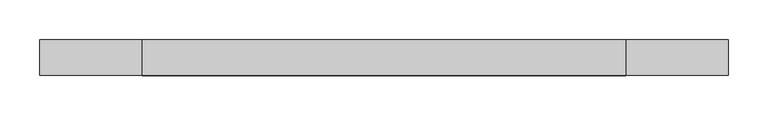
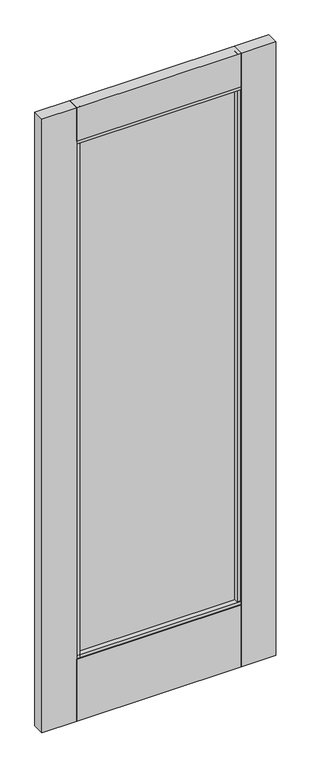
"""IFC4 building model written with IfcOpenShell, lengths in millimetres: plate geometry."""

from ifc_helpers import new_model, si_unit, frame, origin, place, context, project, spatial, polyline, outline, extrude, source, transform, mapped, element, save


def plate_817a3457(model_context):
    return source(origin(), model_context, "Body", "SweptSolid", [
        extrude(outline(polyline([(-31.75, 2405.0625), (12.7, 2405.0625), (12.7, 2274.90528), (11.1401195, 2274.90528), (11.1401195, 2262.202486), (-2.5250805, 2262.202486), (-2.5250805, 2274.108736), (-16.2152584, 2274.108736), (-16.2152584, 2262.202486), (-29.8804584, 2262.202486), (-29.8804584, 2274.90528), (-31.75, 2274.90528), (-31.75, 2405.0625)]), holes=[polyline([(10.31875, 2277.28653), (10.31875, 2402.68125), (-29.36875, 2402.68125), (-29.36875, 2277.28653), (-27.4992084, 2277.28653), (-27.4992084, 2264.583736), (-18.5965084, 2264.583736), (-18.5965084, 2276.489986), (-0.1438305, 2276.489986), (-0.1438305, 2264.583736), (8.7588695, 2264.583736), (8.7588695, 2277.28653), (10.31875, 2277.28653)])]), frame((-302.6590212, 0.0, 0.0), z_axis=(1.0, 0.0, 0.0), x_axis=(0.0, 1.0, 0.0)), (0.0, 0.0, 1.0), 605.3281581),
        extrude(outline(polyline([(-430.4660618, 12.7), (-302.6590212, 12.7), (-302.6590212, 11.1401195), (-289.9590212, 11.1401195), (-289.9590212, -29.8804584), (-302.6590212, -29.8804584), (-302.6590212, -31.75), (-430.4660618, -31.75), (-430.4660618, 12.7)])), frame((0.0, 0.0, 17.4625), z_axis=(0.0, 0.0, 1.0), x_axis=(1.0, 0.0, 0.0)), (0.0, 0.0, 1.0), 2387.6),
        extrude(outline(polyline([(-298.3505575, -12.4866855), (-298.3505575, -6.1366855), (294.7501793, -6.1366855), (294.7501793, -12.4866855), (-298.3505575, -12.4866855)])), frame((0.0, 0.0, 263.906), z_axis=(0.0, 0.0, 1.0), x_axis=(1.0, 0.0, 0.0)), (0.0, 0.0, 1.0), 2006.233986),
        extrude(outline(polyline([(430.4660618, 12.7), (430.4660618, -31.75), (302.6691368, -31.75), (302.6691368, -27.6447968), (289.9691368, -27.6447968), (289.9691368, 11.1401195), (302.6691368, 11.1401195), (302.6691368, 12.7), (430.4660618, 12.7)])), frame((0.0, 0.0, 17.4625), z_axis=(0.0, 0.0, 1.0), x_axis=(1.0, 0.0, 0.0)), (0.0, 0.0, 1.0), 2387.6),
        extrude(outline(polyline([(-29.8804584, 271.4298836), (11.1401195, 271.4298836), (11.1401195, 258.7303916), (12.7, 258.7303916), (12.7, 17.4625), (-31.75, 17.4625), (-31.75, 258.7303916), (-29.8804584, 258.7303916), (-29.8804584, 271.4298836)])), frame((-302.6590212, 0.0, 0.0), z_axis=(1.0, 0.0, 0.0), x_axis=(0.0, 1.0, 0.0)), (0.0, 0.0, 1.0), 605.3281581),
    ])


if __name__ == "__main__":
    model = new_model("IFC4")
    model_context = context("Model", 3, world=origin())
    ifc_project = project(units=[si_unit("LENGTHUNIT", "METRE", prefix="MILLI")], contexts=[model_context])
    site = spatial("IfcSite", under=ifc_project)
    building = spatial("IfcBuilding", under=site)
    placement = place(None, origin())
    plate_shape = plate_817a3457(model_context)
    element("IfcPlate", 1, at=placement, inside=building, context=model_context, shape_type="MappedRepresentation", body=[
        mapped(plate_shape, transform((0.0, 0.0, 0.0), x_axis=(1.0, 0.0, 0.0), y_axis=(0.0, 1.0, 0.0), z_axis=(0.0, 0.0, 1.0))),
    ])
    save(model, "model.ifc")
